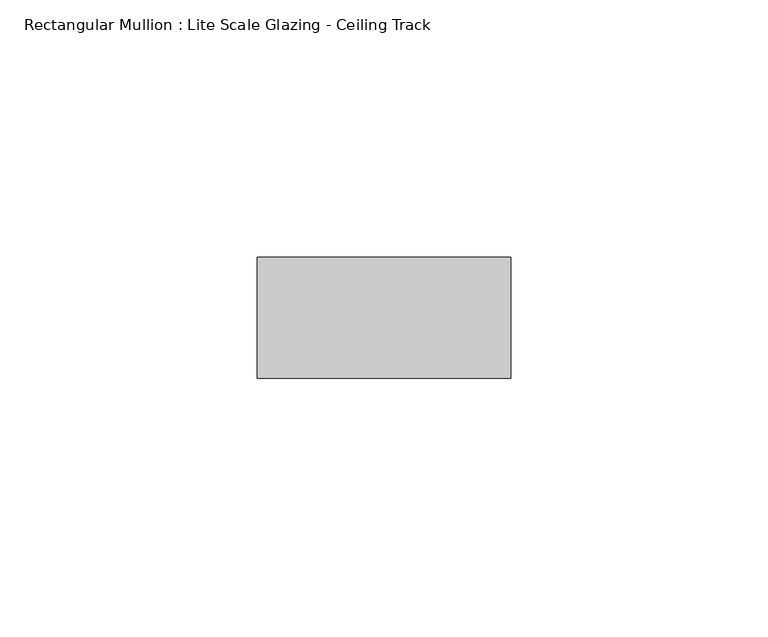
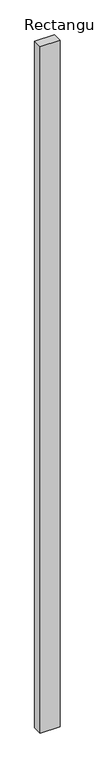
"""IFC4 building model written with IfcOpenShell, lengths in millimetres: member geometry, Rectangular Mullion : Lite Scale Glazing - Ceiling Track."""

from ifc_helpers import new_model, si_unit, frame, origin, place, context, project, spatial, polyline, outline, extrude, source, transform, mapped, element, save


def rectangular_mullion_lite_scale_glazing_ceiling_track_fd9950b4(model_context):
    return source(origin(), model_context, "Body", "SweptSolid", [
        extrude(outline(polyline([(-49.276, -11.7474999), (-49.276, 11.7474999), (0.0, 11.7474999), (0.0, -11.7474999), (-49.276, -11.7474999)])), frame((0.0, 0.0, -1809.75), z_axis=(0.0, 0.0, 1.0), x_axis=(1.0, 0.0, 0.0)), (0.0, 0.0, 1.0), 1809.75),
    ])


if __name__ == "__main__":
    model = new_model("IFC4")
    model_context = context("Model", 3, world=origin())
    ifc_project = project(units=[si_unit("LENGTHUNIT", "METRE", prefix="MILLI")], contexts=[model_context])
    site = spatial("IfcSite", under=ifc_project)
    building = spatial("IfcBuilding", under=site)
    placement = place(None, origin())
    rectangular_mullion_lite_scale_glazing_ceiling_track_shape = rectangular_mullion_lite_scale_glazing_ceiling_track_fd9950b4(model_context)
    element("IfcMember", 1, ObjectType="Rectangular Mullion : Lite Scale Glazing - Ceiling Track", at=placement, inside=building, context=model_context, shape_type="MappedRepresentation", body=[
        mapped(rectangular_mullion_lite_scale_glazing_ceiling_track_shape, transform((0.0, 0.0, 0.0), x_axis=(1.0, 0.0, 0.0), y_axis=(0.0, 1.0, 0.0), z_axis=(0.0, 0.0, 1.0))),
    ])
    save(model, "model.ifc")
